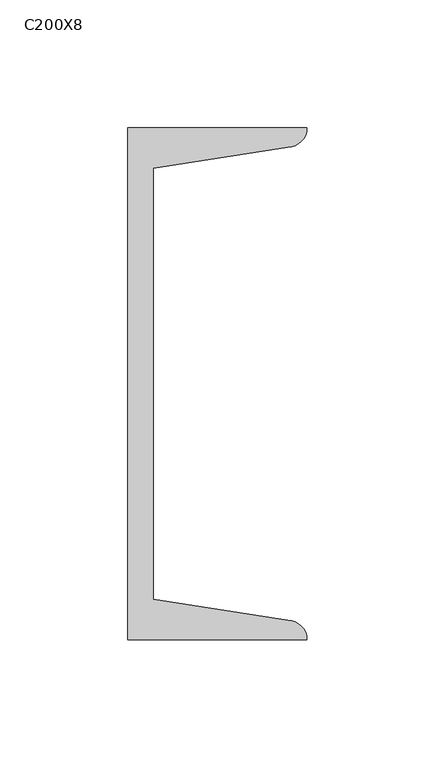
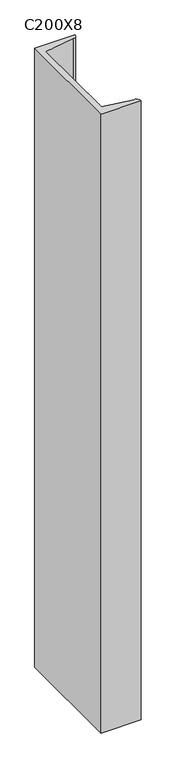
"""IFC4 building model written with IfcOpenShell, lengths in millimetres: column geometry, C200X8."""

from ifc_helpers import new_model, si_unit, point, frame, frame_2d, origin, place, context, project, spatial, polyline, circle_curve, trimmed, segment, composite_curve, outline, extrude, source, transform, mapped, element, save


def c200x8_ea42340d(model_context):
    return source(origin(), model_context, "Body", "SweptSolid", [
        extrude(outline(composite_curve([segment(polyline([(5.0, -100.0), (5.0, 100.0), (75.0, 100.0)]), True, "CONTINUOUS"), segment(trimmed(circle_curve(frame_2d((67.5, 100.0)), 7.5), [point((75.0, 100.0))], [point((67.5, 92.5))], False, "CARTESIAN"), True, "CONTINUOUS"), segment(polyline([(67.5, 92.5), (15.0, 84.1848169), (15.0, -84.1848169), (67.5, -92.5)]), True, "CONTINUOUS"), segment(trimmed(circle_curve(frame_2d((67.5, -100.0)), 7.5), [point((67.5, -92.5))], [point((75.0, -100.0))], False, "CARTESIAN"), True, "CONTINUOUS"), segment(polyline([(75.0, -100.0), (5.0, -100.0)]), True, "CONTINUOUS")], self_intersect=False)), frame((0.0, 0.0, 8970.0), z_axis=(0.0, 0.0, 1.0), x_axis=(1.0, 0.0, 0.0)), (0.0, 0.0, 1.0), 1140.0),
    ])


if __name__ == "__main__":
    model = new_model("IFC4")
    model_context = context("Model", 3, world=origin())
    ifc_project = project(units=[si_unit("LENGTHUNIT", "METRE", prefix="MILLI")], contexts=[model_context])
    site = spatial("IfcSite", under=ifc_project)
    building = spatial("IfcBuilding", under=site)
    placement = place(None, origin())
    c200x8_shape = c200x8_ea42340d(model_context)
    element("IfcColumn", 1, ObjectType="C200X8", at=placement, inside=building, context=model_context, shape_type="MappedRepresentation", body=[
        mapped(c200x8_shape, transform((0.0, 0.0, 0.0), x_axis=(1.0, 0.0, 0.0), y_axis=(0.0, 1.0, 0.0), z_axis=(0.0, 0.0, 1.0))),
    ])
    save(model, "model.ifc")
